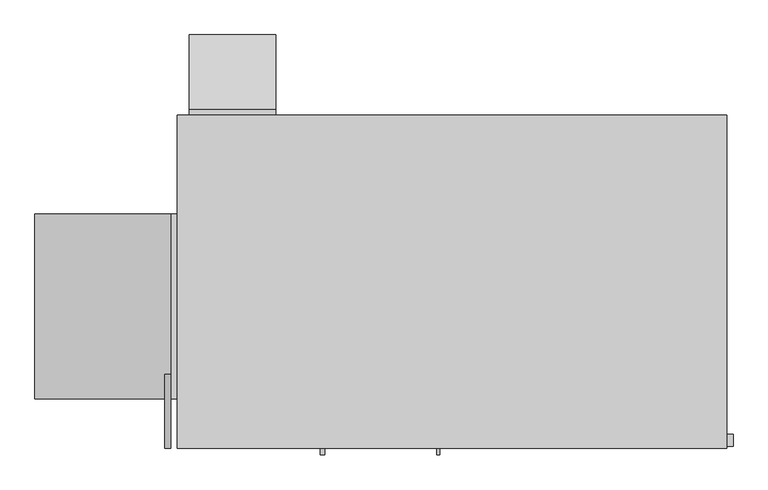
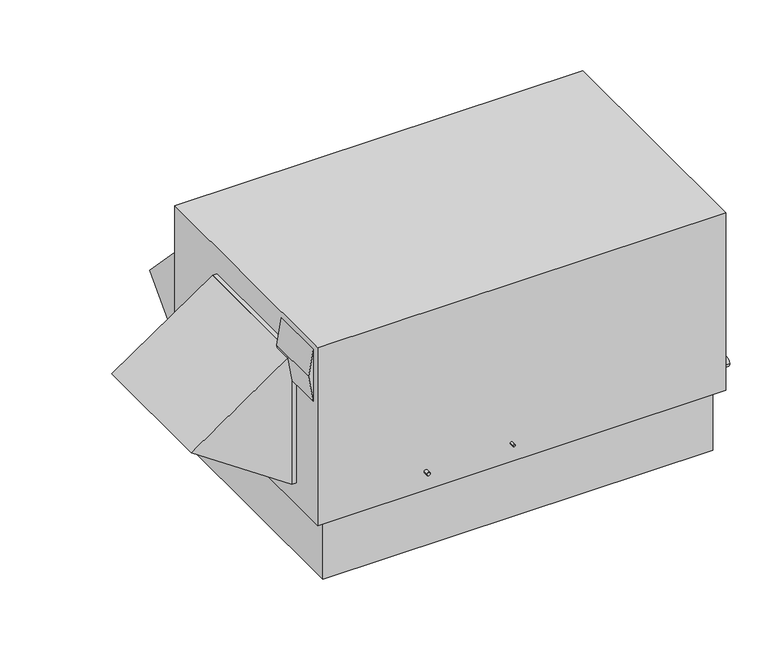
"""IFC4 building model written with IfcOpenShell, lengths in millimetres: proxy geometry."""

from ifc_helpers import new_model, si_unit, frame, origin, place, context, project, spatial, polyline, circle_curve, outline, extrude, source, transform, mapped, element, save
from ifc_brep_helpers import plane_surface, cylinder_surface, advanced_brep


def mechanical_equipment_e5dae301(model_context):
    return source(origin(), model_context, "Body", "SolidModel", [
        extrude(outline(polyline([(736.6, -2286.0), (1041.4, -2286.0), (889.0, -2311.4), (736.6, -2286.0)])), frame((0.0, 0.0, 0.0), z_axis=(0.0, 1.0, 0.0), x_axis=(0.0, 0.0, 1.0)), (0.0, 0.0, 1.0), 304.8),
        extrude(outline(polyline([(127.0, -2286.0), (889.0, -2286.0), (508.0, -2844.8), (127.0, -2286.0)])), frame((0.0, 203.2, 0.0), z_axis=(0.0, 1.0, 0.0), x_axis=(0.0, 0.0, 1.0)), (0.0, 0.0, 1.0), 762.0),
        extrude(outline(polyline([(-2286.0, 203.2), (-2286.0, 965.2), (-2260.6, 965.2), (-2260.6, 203.2), (-2286.0, 203.2)])), frame((0.0, 0.0, 127.0), z_axis=(0.0, 0.0, 1.0), x_axis=(1.0, 0.0, 0.0)), (0.0, 0.0, 1.0), 762.0),
        extrude(outline(polyline([(1397.0, 127.0), (1397.0, 762.0), (1701.8, 444.5), (1397.0, 127.0)])), frame((-2209.8, 0.0, 0.0), z_axis=(1.0, 0.0, 0.0), x_axis=(0.0, 1.0, 0.0)), (0.0, 0.0, 1.0), 355.6),
        extrude(outline(polyline([(-2209.8, 1397.0), (-1854.2, 1397.0), (-1854.2, 1371.6), (-2209.8, 1371.6), (-2209.8, 1397.0)])), frame((0.0, 0.0, 127.0), z_axis=(0.0, 0.0, 1.0), x_axis=(1.0, 0.0, 0.0)), (0.0, 0.0, 1.0), 635.0),
        extrude(outline(polyline([(-50.8, 1333.5), (-50.8, 38.1), (-2209.8, 38.1), (-2209.8, 1333.5), (-50.8, 1333.5)])), frame((0.0, 0.0, -355.6), z_axis=(0.0, 0.0, 1.0), x_axis=(1.0, 0.0, 0.0)), (0.0, 0.0, 1.0), 355.6),
        advanced_brep(
        [(0.0, 1371.6, 1041.4), (-2260.6, 1371.6, 1041.4), (-2260.6, 0.0, 1041.4), (0.0, 0.0, 1041.4), (0.0, 1371.6, 0.0), (0.0, 0.0, 0.0), (-2260.6, 0.0, 0.0), (-2260.6, 1371.6, 0.0), (-1701.8, 1270.0, 0.0), (-2159.0, 1270.0, 0.0), (-2159.0, 457.2, 0.0), (-1701.8, 457.2, 0.0), (-990.6, 1270.0, 0.0), (-1447.8, 1270.0, 0.0), (-1447.8, 406.4, 0.0), (-990.6, 406.4, 0.0), (-1181.1, 0.0, 107.95), (-1193.8, 0.0, 107.95), (-1652.5875, 0.0, 107.95), (-1671.6375, 0.0, 107.95), (0.0, 58.7375, 142.875), (0.0, 7.9375, 142.875), (-1701.8, 1270.0, 107.95), (-1701.8, 457.2, 107.95), (-2159.0, 457.2, 107.95), (-2159.0, 1270.0, 107.95), (-990.6, 1270.0, 107.95), (-990.6, 406.4, 107.95), (-1447.8, 406.4, 107.95), (-1447.8, 1270.0, 107.95), (-1193.8, -25.5724411, 107.95), (-1181.1, -25.5724411, 107.95), (25.4, 7.9375, 142.875), (25.4, 58.7375, 142.875), (-1671.6375, -25.5724411, 107.95), (-1652.5875, -25.5724411, 107.95)],
        [
            (0, 1),
            (1, 2),
            (2, 3),
            (3, 0),
            (4, 5),
            (5, 6),
            (6, 7),
            (7, 4),
            (8, 9),
            (9, 10),
            (10, 11),
            (11, 8),
            (12, 13),
            (13, 14),
            (14, 15),
            (15, 12),
            (0, 4),
            (7, 1),
            (6, 2),
            (5, 3),
            (16, 17, circle_curve(frame((-1187.45, 0.0, 107.95), z_axis=(0.0, 1.0, 0.0), x_axis=(1.0, 0.0, 0.0)), 6.35)),
            (17, 16, circle_curve(frame((-1187.45, 0.0, 107.95), z_axis=(0.0, 1.0, 0.0), x_axis=(1.0, 0.0, 0.0)), 6.35)),
            (18, 19, circle_curve(frame((-1662.1125, 0.0, 107.95), z_axis=(0.0, 1.0, 0.0), x_axis=(1.0, 0.0, 0.0)), 9.525)),
            (19, 18, circle_curve(frame((-1662.1125, 0.0, 107.95), z_axis=(0.0, 1.0, 0.0), x_axis=(1.0, 0.0, 0.0)), 9.525)),
            (20, 21, circle_curve(frame((0.0, 33.3375, 142.875), z_axis=(-1.0, 0.0, 0.0), x_axis=(0.0, 1.0, 0.0)), 25.4)),
            (21, 20, circle_curve(frame((0.0, 33.3375, 142.875), z_axis=(-1.0, 0.0, 0.0), x_axis=(0.0, 1.0, 0.0)), 25.4)),
            (22, 23),
            (23, 24),
            (24, 25),
            (25, 22),
            (26, 27),
            (27, 28),
            (28, 29),
            (29, 26),
            (25, 9),
            (8, 22),
            (24, 10),
            (23, 11),
            (29, 13),
            (12, 26),
            (28, 14),
            (27, 15),
            (30, 31, circle_curve(frame((-1187.45, -25.5724411, 107.95), z_axis=(0.0, -1.0, 0.0), x_axis=(1.0, 0.0, 0.0)), 6.35)),
            (31, 30, circle_curve(frame((-1187.45, -25.5724411, 107.95), z_axis=(0.0, -1.0, 0.0), x_axis=(1.0, 0.0, 0.0)), 6.35)),
            (30, 17),
            (16, 31),
            (32, 33, circle_curve(frame((25.4, 33.3375, 142.875), z_axis=(1.0, 0.0, 0.0), x_axis=(0.0, 1.0, 0.0)), 25.4)),
            (33, 32, circle_curve(frame((25.4, 33.3375, 142.875), z_axis=(1.0, 0.0, 0.0), x_axis=(0.0, 1.0, 0.0)), 25.4)),
            (32, 21),
            (20, 33),
            (34, 35, circle_curve(frame((-1662.1125, -25.5724411, 107.95), z_axis=(0.0, -1.0, 0.0), x_axis=(1.0, 0.0, 0.0)), 9.525)),
            (35, 34, circle_curve(frame((-1662.1125, -25.5724411, 107.95), z_axis=(0.0, -1.0, 0.0), x_axis=(1.0, 0.0, 0.0)), 9.525)),
            (34, 19),
            (18, 35),
        ],
        [
            plane_surface(frame((-2260.6, 1371.6, 1041.4), z_axis=(0.0, 0.0, 1.0), x_axis=(-1.0, 0.0, 0.0))),
            plane_surface(frame((-2260.6, 1371.6, 0.0), z_axis=(0.0, 0.0, -1.0), x_axis=(1.0, 0.0, 0.0))),
            plane_surface(frame((0.0, 1371.6, 1041.4), z_axis=(0.0, 1.0, 0.0), x_axis=(0.0, 0.0, -1.0))),
            plane_surface(frame((-2260.6, 1371.6, 1041.4), z_axis=(-1.0, 0.0, 0.0), x_axis=(0.0, 0.0, -1.0))),
            plane_surface(frame((-2260.6, 0.0, 1041.4), z_axis=(0.0, -1.0, 0.0), x_axis=(0.0, 0.0, -1.0))),
            plane_surface(frame((0.0, 0.0, 1041.4), z_axis=(1.0, 0.0, 0.0), x_axis=(0.0, 0.0, -1.0))),
            plane_surface(frame((-2159.0, 1270.0, 107.95), z_axis=(0.0, 0.0, -1.0), x_axis=(-1.0, 0.0, 0.0))),
            plane_surface(frame((-1701.8, 1270.0, 107.95), z_axis=(0.0, -1.0, 0.0), x_axis=(0.0, 0.0, -1.0))),
            plane_surface(frame((-2159.0, 1270.0, 107.95), z_axis=(1.0, 0.0, 0.0), x_axis=(0.0, 0.0, -1.0))),
            plane_surface(frame((-2159.0, 457.2, 107.95), z_axis=(0.0, 1.0, 0.0), x_axis=(0.0, 0.0, -1.0))),
            plane_surface(frame((-1701.8, 457.2, 107.95), z_axis=(-1.0, 0.0, 0.0), x_axis=(0.0, 0.0, -1.0))),
            plane_surface(frame((-990.6, 1270.0, 107.95), z_axis=(0.0, -1.0, 0.0), x_axis=(0.0, 0.0, -1.0))),
            plane_surface(frame((-1447.8, 1270.0, 107.95), z_axis=(1.0, 0.0, 0.0), x_axis=(0.0, 0.0, -1.0))),
            plane_surface(frame((-1447.8, 406.4, 107.95), z_axis=(0.0, 1.0, 0.0), x_axis=(0.0, 0.0, -1.0))),
            plane_surface(frame((-990.6, 406.4, 107.95), z_axis=(-1.0, 0.0, 0.0), x_axis=(0.0, 0.0, -1.0))),
            plane_surface(frame((-1181.1, -25.5724411, 107.95), z_axis=(0.0, -1.0, 0.0), x_axis=(0.0, 0.0, 1.0))),
            cylinder_surface(frame((-1187.45, 0.0, 107.95), z_axis=(0.0, -1.0, 0.0), x_axis=(1.0, 0.0, 0.0)), 6.35),
            plane_surface(frame((25.4, 58.7375, 142.875), z_axis=(1.0, 0.0, 0.0), x_axis=(0.0, 0.0, 1.0))),
            cylinder_surface(frame((0.0, 33.3375, 142.875), z_axis=(1.0, 0.0, 0.0), x_axis=(0.0, 1.0, 0.0)), 25.4),
            plane_surface(frame((-1652.5875, -25.5724411, 107.95), z_axis=(0.0, -1.0, 0.0), x_axis=(0.0, 0.0, 1.0))),
            cylinder_surface(frame((-1662.1125, 0.0, 107.95), z_axis=(0.0, -1.0, 0.0), x_axis=(1.0, 0.0, 0.0)), 9.525),
        ],
        [
            (0, [[1, 2, 3, 4]]),
            (1, [[5, 6, 7, 8], [9, 10, 11, 12], [13, 14, 15, 16]]),
            (2, [[-1, 17, -8, 18]]),
            (3, [[-2, -18, -7, 19]]),
            (4, [[-3, -19, -6, 20], [21, 22], [23, 24]]),
            (5, [[-4, -20, -5, -17], [25, 26]]),
            (6, [[27, 28, 29, 30]]),
            (6, [[31, 32, 33, 34]]),
            (7, [[-30, 35, -9, 36]]),
            (8, [[-29, 37, -10, -35]]),
            (9, [[-28, 38, -11, -37]]),
            (10, [[-27, -36, -12, -38]]),
            (11, [[-34, 39, -13, 40]]),
            (12, [[-33, 41, -14, -39]]),
            (13, [[-32, 42, -15, -41]]),
            (14, [[-31, -40, -16, -42]]),
            (15, [[43, 44]]),
            (16, [[-43, 45, -21, 46]]),
            (16, [[-44, -46, -22, -45]]),
            (17, [[47, 48]]),
            (18, [[-47, 49, -25, 50]]),
            (18, [[-48, -50, -26, -49]]),
            (19, [[51, 52]]),
            (20, [[-51, 53, -23, 54]]),
            (20, [[-52, -54, -24, -53]]),
        ],
    ),
    ])


if __name__ == "__main__":
    model = new_model("IFC4")
    model_context = context("Model", 3, world=origin())
    ifc_project = project(units=[si_unit("LENGTHUNIT", "METRE", prefix="MILLI")], contexts=[model_context])
    site = spatial("IfcSite", under=ifc_project)
    building = spatial("IfcBuilding", under=site)
    placement = place(None, origin())
    mechanical_equipment_shape = mechanical_equipment_e5dae301(model_context)
    element("IfcBuildingElementProxy", 1, Name="Mechanical Equipment", at=placement, inside=building, context=model_context, shape_type="MappedRepresentation", body=[
        mapped(mechanical_equipment_shape, transform((0.0, 0.0, 0.0), x_axis=(1.0, 0.0, 0.0), y_axis=(0.0, 1.0, 0.0), z_axis=(0.0, 0.0, 1.0))),
    ])
    save(model, "model.ifc")
